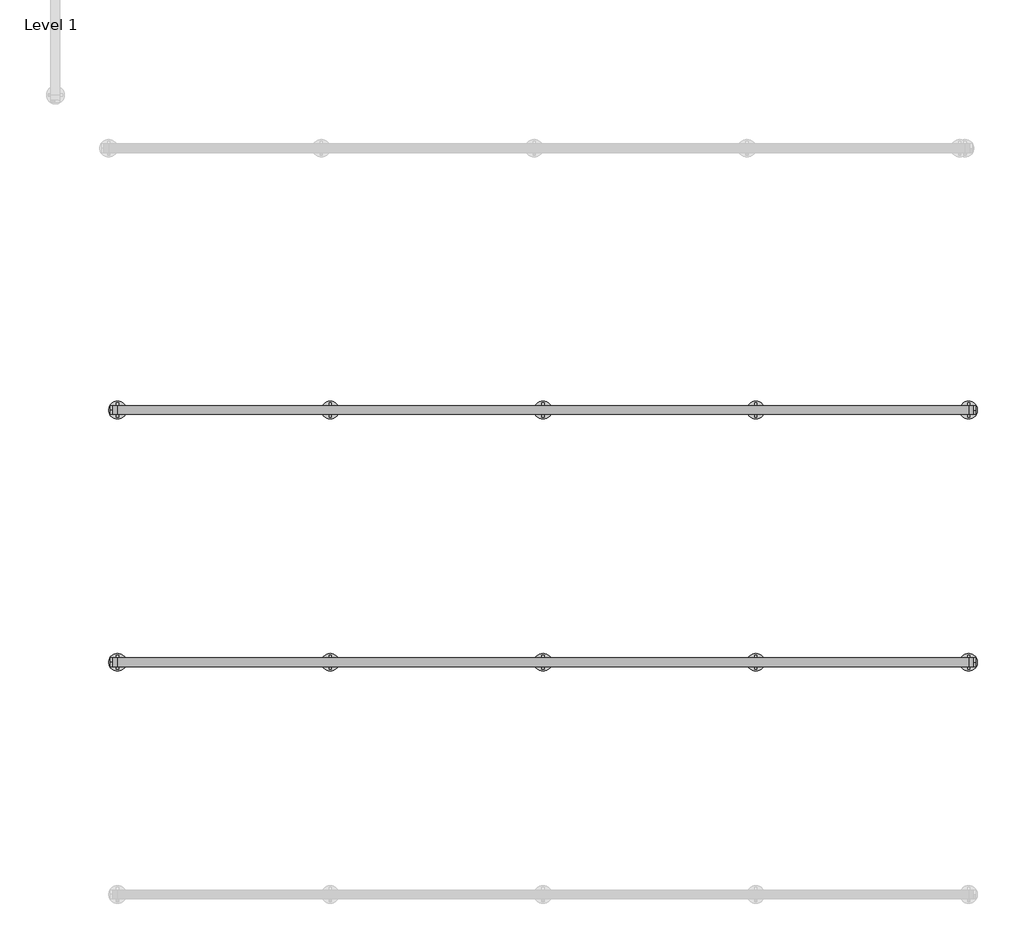
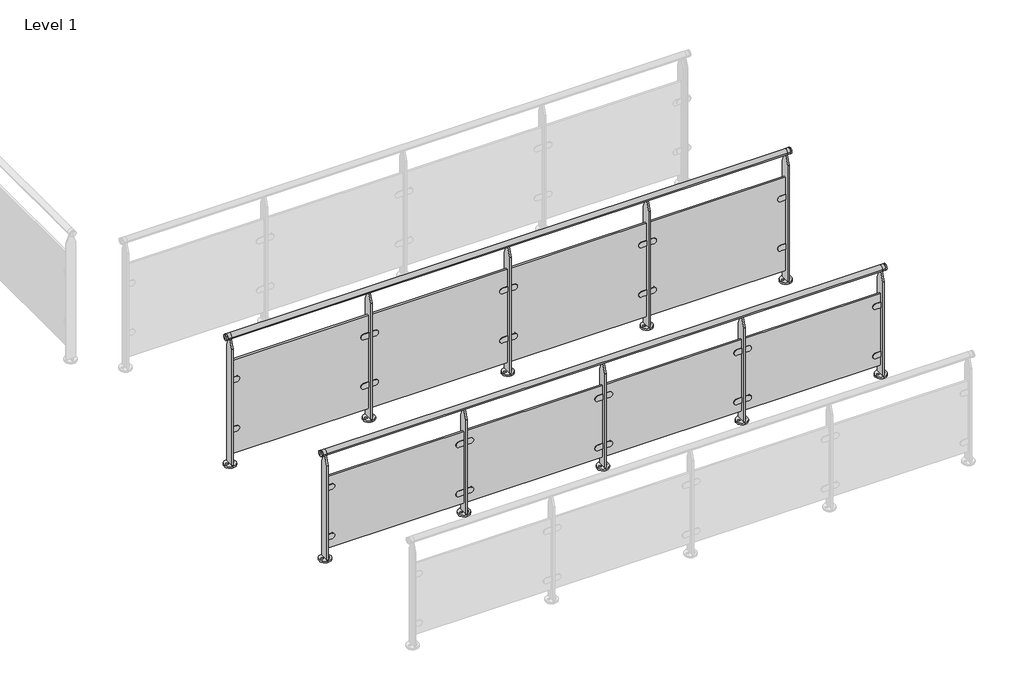
# One storey, part 4 of 16: 2 railings.
"""IFC4 building model written with IfcOpenShell, lengths in millimetres."""

from ifc_helpers import new_model, si_unit, point, frame, frame_2d, origin, origin_with_axes, place, context, project, spatial, polyline, circle_curve, trimmed, segment, composite_curve, outline, extrude, element, save
from ifc_brep_helpers import plane_surface, cylinder_surface, advanced_brep

model = new_model("IFC4")

# Units and contexts
model_context = context("Model", 3, world=origin())
ifc_project = project(units=[si_unit("LENGTHUNIT", "METRE", prefix="MILLI")], contexts=[model_context])

# Site, building, storey
site = spatial("IfcSite", under=ifc_project)
building = spatial("IfcBuilding", under=site)
storey = spatial("IfcBuildingStorey", under=building, Name="Level 1", Elevation=0.0)

# Railings
placement = place(None, origin())
element("IfcRailing", 1, at=placement, inside=storey, context=model_context, shape_type="SolidModel", body=[
    advanced_brep(
    [(24690.6479588, -3259.046846, 1175.0), (24690.6479588, -3259.046846, 1200.0), (24690.6479588, -3259.046846, 1150.0), (24700.6479588, -3259.046846, 1150.0), (24700.6479588, -3259.046846, 1200.0), (24700.6479588, -3259.046846, 1175.0)],
    [
        (0, 1),
        (1, 2, circle_curve(frame((24690.6479588, -3259.046846, 1175.0), z_axis=(-1.0, 0.0, 0.0), x_axis=(0.0, 0.0, 1.0)), 25.0)),
        (2, 0),
        (2, 1, circle_curve(frame((24690.6479588, -3259.046846, 1175.0), z_axis=(-1.0, 0.0, 0.0), x_axis=(0.0, 0.0, 1.0)), 25.0)),
        (3, 4, circle_curve(frame((24700.6479588, -3259.046846, 1175.0), z_axis=(1.0, 0.0, 0.0), x_axis=(0.0, 0.0, 1.0)), 25.0)),
        (4, 5),
        (5, 3),
        (4, 3, circle_curve(frame((24700.6479588, -3259.046846, 1175.0), z_axis=(1.0, 0.0, 0.0), x_axis=(0.0, 0.0, 1.0)), 25.0)),
        (1, 4),
        (3, 2),
    ],
    [
        plane_surface(frame((24690.6479588, -3259.046846, 1175.0), z_axis=(-1.0, 0.0, 0.0), x_axis=(0.0, 0.0, 1.0))),
        plane_surface(frame((24700.6479588, -3259.046846, 1175.0), z_axis=(1.0, 0.0, 0.0), x_axis=(0.0, 0.0, 1.0))),
        cylinder_surface(frame((24675.6479588, -3259.046846, 1175.0), z_axis=(-1.0, 0.0, 0.0), x_axis=(0.0, 0.0, 1.0)), 25.0),
    ],
    [
        (0, [[1, 2, 3]]),
        (0, [[-3, 4, -1]]),
        (1, [[5, 6, 7]]),
        (1, [[8, -7, -6]]),
        (2, [[-2, 9, -5, 10]]),
        (2, [[-4, -10, -8, -9]]),
    ],
),
    advanced_brep(
    [(19830.6479588, -3259.046846, 1175.0), (19830.6479588, -3259.046846, 1200.0), (19830.6479588, -3259.046846, 1150.0), (19820.6479588, -3259.046846, 1150.0), (19820.6479588, -3259.046846, 1200.0), (19820.6479588, -3259.046846, 1175.0)],
    [
        (0, 1),
        (1, 2, circle_curve(frame((19830.6479588, -3259.046846, 1175.0), z_axis=(1.0, 0.0, 0.0), x_axis=(0.0, 0.0, 1.0)), 25.0)),
        (2, 0),
        (2, 1, circle_curve(frame((19830.6479588, -3259.046846, 1175.0), z_axis=(1.0, 0.0, 0.0), x_axis=(0.0, 0.0, 1.0)), 25.0)),
        (3, 4, circle_curve(frame((19820.6479588, -3259.046846, 1175.0), z_axis=(-1.0, 0.0, 0.0), x_axis=(0.0, 0.0, 1.0)), 25.0)),
        (4, 5),
        (5, 3),
        (4, 3, circle_curve(frame((19820.6479588, -3259.046846, 1175.0), z_axis=(-1.0, 0.0, 0.0), x_axis=(0.0, 0.0, 1.0)), 25.0)),
        (1, 4),
        (3, 2),
    ],
    [
        plane_surface(frame((19830.6479588, -3259.046846, 1175.0), z_axis=(1.0, 0.0, 0.0), x_axis=(0.0, 0.0, 1.0))),
        plane_surface(frame((19820.6479588, -3259.046846, 1175.0), z_axis=(-1.0, 0.0, 0.0), x_axis=(0.0, 0.0, 1.0))),
        cylinder_surface(frame((19845.6479588, -3259.046846, 1175.0), z_axis=(1.0, 0.0, 0.0), x_axis=(0.0, 0.0, 1.0)), 25.0),
    ],
    [
        (0, [[1, 2, 3]]),
        (0, [[-3, 4, -1]]),
        (1, [[5, 6, 7]]),
        (1, [[8, -7, -6]]),
        (2, [[-2, 9, -5, 10]]),
        (2, [[-4, -10, -8, -9]]),
    ],
),
    advanced_brep(
    [(19830.6479588, -3284.046846, 1175.0), (19830.6479588, -3234.046846, 1175.0), (19860.6479588, -3284.046846, 1175.0), (19860.6479588, -3234.046846, 1175.0), (24660.6479588, -3284.046846, 1175.0), (24660.6479588, -3234.046846, 1175.0), (24690.6479588, -3284.046846, 1175.0), (24690.6479588, -3234.046846, 1175.0)],
    [
        (0, 1, circle_curve(frame((19830.6479588, -3259.046846, 1175.0), z_axis=(-1.0, 0.0, 0.0), x_axis=(0.0, 1.0, 0.0)), 25.0)),
        (1, 0, circle_curve(frame((19830.6479588, -3259.046846, 1175.0), z_axis=(-1.0, 0.0, 0.0), x_axis=(0.0, 1.0, 0.0)), 25.0)),
        (0, 2),
        (2, 3, circle_curve(frame((19860.6479588, -3259.046846, 1175.0), z_axis=(-1.0, 0.0, 0.0), x_axis=(0.0, 1.0, 0.0)), 25.0)),
        (3, 1),
        (3, 2, circle_curve(frame((19860.6479588, -3259.046846, 1175.0), z_axis=(-1.0, 0.0, 0.0), x_axis=(0.0, 1.0, 0.0)), 25.0)),
        (2, 4),
        (4, 5, circle_curve(frame((24660.6479588, -3259.046846, 1175.0), z_axis=(-1.0, 0.0, 0.0), x_axis=(0.0, 1.0, 0.0)), 25.0)),
        (5, 3),
        (5, 4, circle_curve(frame((24660.6479588, -3259.046846, 1175.0), z_axis=(-1.0, 0.0, 0.0), x_axis=(0.0, 1.0, 0.0)), 25.0)),
        (6, 7, circle_curve(frame((24690.6479588, -3259.046846, 1175.0), z_axis=(1.0, 0.0, 0.0), x_axis=(0.0, 1.0, 0.0)), 25.0)),
        (7, 6, circle_curve(frame((24690.6479588, -3259.046846, 1175.0), z_axis=(1.0, 0.0, 0.0), x_axis=(0.0, 1.0, 0.0)), 25.0)),
        (4, 6),
        (7, 5),
    ],
    [
        plane_surface(frame((19830.6479588, -3259.046846, 1200.0), z_axis=(-1.0, 0.0, 0.0), x_axis=(0.0, 1.0, 0.0))),
        cylinder_surface(frame((19830.6479588, -3259.046846, 1175.0), z_axis=(-1.0, 0.0, 0.0), x_axis=(0.0, 1.0, 0.0)), 25.0),
        cylinder_surface(frame((19860.6479588, -3259.046846, 1175.0), z_axis=(-1.0, 0.0, 0.0), x_axis=(0.0, 1.0, 0.0)), 25.0),
        plane_surface(frame((24690.6479588, -3259.046846, 1200.0), z_axis=(1.0, 0.0, 0.0), x_axis=(0.0, 1.0, 0.0))),
        cylinder_surface(frame((24660.6479588, -3259.046846, 1175.0), z_axis=(-1.0, 0.0, 0.0), x_axis=(0.0, 1.0, 0.0)), 25.0),
    ],
    [
        (0, [[1, 2]]),
        (1, [[-1, 3, 4, 5]]),
        (1, [[-2, -5, 6, -3]]),
        (2, [[-4, 7, 8, 9]]),
        (2, [[-6, -9, 10, -7]]),
        (3, [[11, 12]]),
        (4, [[-8, 13, -12, 14]]),
        (4, [[-10, -14, -11, -13]]),
    ],
),
    extrude(outline(polyline([(19860.6479588, -3267.046846), (19860.6479588, -3251.046846), (24660.6479588, -3251.046846), (24660.6479588, -3267.046846), (19860.6479588, -3267.046846)])), frame((0.0, 0.0, 100.0), z_axis=(0.0, 0.0, 1.0), x_axis=(1.0, 0.0, 0.0)), (0.0, 0.0, 1.0), 850.0),
    extrude(outline(composite_curve([segment(trimmed(circle_curve(frame_2d((320.0, 23511.6479588)), 25.0), [point((295.0, 23511.6479588))], [point((345.0, 23511.6479588))], False, "CARTESIAN"), True, "CONTINUOUS"), segment(polyline([(345.0, 23511.6479588), (345.0, 23466.6479588), (295.0, 23466.6479588), (295.0, 23511.6479588)]), True, "CONTINUOUS")], self_intersect=False)), frame((0.0, -3271.7869571, 0.0), z_axis=(0.0, 1.0, 0.0), x_axis=(0.0, 0.0, 1.0)), (0.0, 0.0, 1.0), 25.4802223),
    extrude(outline(composite_curve([segment(trimmed(circle_curve(frame_2d((770.0, 23511.6479588)), 25.0), [point((745.0, 23511.6479588))], [point((795.0, 23511.6479588))], False, "CARTESIAN"), True, "CONTINUOUS"), segment(polyline([(795.0, 23511.6479588), (795.0, 23466.6479588), (745.0, 23466.6479588), (745.0, 23511.6479588)]), True, "CONTINUOUS")], self_intersect=False)), frame((0.0, -3271.7869571, 0.0), z_axis=(0.0, 1.0, 0.0), x_axis=(0.0, 0.0, 1.0)), (0.0, 0.0, 1.0), 25.4802223),
    extrude(outline(composite_curve([segment(polyline([(295.0, 23409.6479588), (295.0, 23454.6479588), (345.0, 23454.6479588), (345.0, 23409.6479588)]), True, "CONTINUOUS"), segment(trimmed(circle_curve(frame_2d((320.0, 23409.6479588)), 25.0), [point((345.0, 23409.6479588))], [point((295.0, 23409.6479588))], False, "CARTESIAN"), True, "CONTINUOUS")], self_intersect=False)), frame((0.0, -3271.7869571, 0.0), z_axis=(0.0, 1.0, 0.0), x_axis=(0.0, 0.0, 1.0)), (0.0, 0.0, 1.0), 25.4802223),
    extrude(outline(composite_curve([segment(polyline([(745.0, 23409.6479588), (745.0, 23454.6479588), (795.0, 23454.6479588), (795.0, 23409.6479588)]), True, "CONTINUOUS"), segment(trimmed(circle_curve(frame_2d((770.0, 23409.6479588)), 25.0), [point((795.0, 23409.6479588))], [point((745.0, 23409.6479588))], False, "CARTESIAN"), True, "CONTINUOUS")], self_intersect=False)), frame((0.0, -3271.7869571, 0.0), z_axis=(0.0, 1.0, 0.0), x_axis=(0.0, 0.0, 1.0)), (0.0, 0.0, 1.0), 25.4802223),
    extrude(outline(composite_curve([segment(trimmed(circle_curve(frame_2d((23460.6479588, -3259.046846)), 50.0), [point((23460.6479588, -3309.046846))], [point((23460.6479588, -3209.046846))], False, "CARTESIAN"), True, "CONTINUOUS"), segment(trimmed(circle_curve(frame_2d((23460.6479588, -3259.046846)), 50.0), [point((23460.6479588, -3209.046846))], [point((23460.6479588, -3309.046846))], False, "CARTESIAN"), True, "CONTINUOUS")], self_intersect=False), holes=[composite_curve([segment(trimmed(circle_curve(frame_2d((23435.6576262, -3259.0371785)), 8.9986565), [point((23444.6562827, -3259.0371785))], [point((23426.6589698, -3259.0371785))], True, "CARTESIAN"), True, "CONTINUOUS"), segment(trimmed(circle_curve(frame_2d((23435.6576262, -3259.0371785)), 8.9986565), [point((23426.6589698, -3259.0371785))], [point((23444.6562827, -3259.0371785))], True, "CARTESIAN"), True, "CONTINUOUS")], self_intersect=False), composite_curve([segment(trimmed(circle_curve(frame_2d((23485.6576262, -3259.0371785)), 8.9793215), [point((23494.6369477, -3259.0371785))], [point((23476.6783047, -3259.0371785))], True, "CARTESIAN"), True, "CONTINUOUS"), segment(trimmed(circle_curve(frame_2d((23485.6576262, -3259.0371785)), 8.9793215), [point((23476.6783047, -3259.0371785))], [point((23494.6369477, -3259.0371785))], True, "CARTESIAN"), True, "CONTINUOUS")], self_intersect=False)]), origin_with_axes(), (0.0, 0.0, 1.0), 15.0),
    extrude(outline(polyline([(-3219.046846, 15.0), (-3299.046846, 15.0), (-3299.046846, 1075.0), (-3269.046846, 1150.0), (-3249.046846, 1150.0), (-3219.046846, 1075.0), (-3219.046846, 15.0)])), frame((23454.6479588, 0.0, 0.0), z_axis=(1.0, 0.0, 0.0), x_axis=(0.0, 1.0, 0.0)), (0.0, 0.0, 1.0), 12.0),
    extrude(outline(composite_curve([segment(trimmed(circle_curve(frame_2d((320.0, 22311.6479588)), 25.0), [point((295.0, 22311.6479588))], [point((345.0, 22311.6479588))], False, "CARTESIAN"), True, "CONTINUOUS"), segment(polyline([(345.0, 22311.6479588), (345.0, 22266.6479588), (295.0, 22266.6479588), (295.0, 22311.6479588)]), True, "CONTINUOUS")], self_intersect=False)), frame((0.0, -3271.7869571, 0.0), z_axis=(0.0, 1.0, 0.0), x_axis=(0.0, 0.0, 1.0)), (0.0, 0.0, 1.0), 25.4802223),
    extrude(outline(composite_curve([segment(trimmed(circle_curve(frame_2d((770.0, 22311.6479588)), 25.0), [point((745.0, 22311.6479588))], [point((795.0, 22311.6479588))], False, "CARTESIAN"), True, "CONTINUOUS"), segment(polyline([(795.0, 22311.6479588), (795.0, 22266.6479588), (745.0, 22266.6479588), (745.0, 22311.6479588)]), True, "CONTINUOUS")], self_intersect=False)), frame((0.0, -3271.7869571, 0.0), z_axis=(0.0, 1.0, 0.0), x_axis=(0.0, 0.0, 1.0)), (0.0, 0.0, 1.0), 25.4802223),
    extrude(outline(composite_curve([segment(polyline([(295.0, 22209.6479588), (295.0, 22254.6479588), (345.0, 22254.6479588), (345.0, 22209.6479588)]), True, "CONTINUOUS"), segment(trimmed(circle_curve(frame_2d((320.0, 22209.6479588)), 25.0), [point((345.0, 22209.6479588))], [point((295.0, 22209.6479588))], False, "CARTESIAN"), True, "CONTINUOUS")], self_intersect=False)), frame((0.0, -3271.7869571, 0.0), z_axis=(0.0, 1.0, 0.0), x_axis=(0.0, 0.0, 1.0)), (0.0, 0.0, 1.0), 25.4802223),
    extrude(outline(composite_curve([segment(polyline([(745.0, 22209.6479588), (745.0, 22254.6479588), (795.0, 22254.6479588), (795.0, 22209.6479588)]), True, "CONTINUOUS"), segment(trimmed(circle_curve(frame_2d((770.0, 22209.6479588)), 25.0), [point((795.0, 22209.6479588))], [point((745.0, 22209.6479588))], False, "CARTESIAN"), True, "CONTINUOUS")], self_intersect=False)), frame((0.0, -3271.7869571, 0.0), z_axis=(0.0, 1.0, 0.0), x_axis=(0.0, 0.0, 1.0)), (0.0, 0.0, 1.0), 25.4802223),
    extrude(outline(composite_curve([segment(trimmed(circle_curve(frame_2d((22260.6479588, -3259.046846)), 50.0), [point((22260.6479588, -3309.046846))], [point((22260.6479588, -3209.046846))], False, "CARTESIAN"), True, "CONTINUOUS"), segment(trimmed(circle_curve(frame_2d((22260.6479588, -3259.046846)), 50.0), [point((22260.6479588, -3209.046846))], [point((22260.6479588, -3309.046846))], False, "CARTESIAN"), True, "CONTINUOUS")], self_intersect=False), holes=[composite_curve([segment(trimmed(circle_curve(frame_2d((22235.6576262, -3259.0371785)), 8.9986565), [point((22244.6562827, -3259.0371785))], [point((22226.6589698, -3259.0371785))], True, "CARTESIAN"), True, "CONTINUOUS"), segment(trimmed(circle_curve(frame_2d((22235.6576262, -3259.0371785)), 8.9986565), [point((22226.6589698, -3259.0371785))], [point((22244.6562827, -3259.0371785))], True, "CARTESIAN"), True, "CONTINUOUS")], self_intersect=False), composite_curve([segment(trimmed(circle_curve(frame_2d((22285.6576262, -3259.0371785)), 8.9793215), [point((22294.6369477, -3259.0371785))], [point((22276.6783047, -3259.0371785))], True, "CARTESIAN"), True, "CONTINUOUS"), segment(trimmed(circle_curve(frame_2d((22285.6576262, -3259.0371785)), 8.9793215), [point((22276.6783047, -3259.0371785))], [point((22294.6369477, -3259.0371785))], True, "CARTESIAN"), True, "CONTINUOUS")], self_intersect=False)]), origin_with_axes(), (0.0, 0.0, 1.0), 15.0),
    extrude(outline(polyline([(-3219.046846, 15.0), (-3299.046846, 15.0), (-3299.046846, 1075.0), (-3269.046846, 1150.0), (-3249.046846, 1150.0), (-3219.046846, 1075.0), (-3219.046846, 15.0)])), frame((22254.6479588, 0.0, 0.0), z_axis=(1.0, 0.0, 0.0), x_axis=(0.0, 1.0, 0.0)), (0.0, 0.0, 1.0), 12.0),
    extrude(outline(composite_curve([segment(trimmed(circle_curve(frame_2d((320.0, 21111.6479588)), 25.0), [point((295.0, 21111.6479588))], [point((345.0, 21111.6479588))], False, "CARTESIAN"), True, "CONTINUOUS"), segment(polyline([(345.0, 21111.6479588), (345.0, 21066.6479588), (295.0, 21066.6479588), (295.0, 21111.6479588)]), True, "CONTINUOUS")], self_intersect=False)), frame((0.0, -3271.7869571, 0.0), z_axis=(0.0, 1.0, 0.0), x_axis=(0.0, 0.0, 1.0)), (0.0, 0.0, 1.0), 25.4802223),
    extrude(outline(composite_curve([segment(trimmed(circle_curve(frame_2d((770.0, 21111.6479588)), 25.0), [point((745.0, 21111.6479588))], [point((795.0, 21111.6479588))], False, "CARTESIAN"), True, "CONTINUOUS"), segment(polyline([(795.0, 21111.6479588), (795.0, 21066.6479588), (745.0, 21066.6479588), (745.0, 21111.6479588)]), True, "CONTINUOUS")], self_intersect=False)), frame((0.0, -3271.7869571, 0.0), z_axis=(0.0, 1.0, 0.0), x_axis=(0.0, 0.0, 1.0)), (0.0, 0.0, 1.0), 25.4802223),
    extrude(outline(composite_curve([segment(polyline([(295.0, 21009.6479588), (295.0, 21054.6479588), (345.0, 21054.6479588), (345.0, 21009.6479588)]), True, "CONTINUOUS"), segment(trimmed(circle_curve(frame_2d((320.0, 21009.6479588)), 25.0), [point((345.0, 21009.6479588))], [point((295.0, 21009.6479588))], False, "CARTESIAN"), True, "CONTINUOUS")], self_intersect=False)), frame((0.0, -3271.7869571, 0.0), z_axis=(0.0, 1.0, 0.0), x_axis=(0.0, 0.0, 1.0)), (0.0, 0.0, 1.0), 25.4802223),
    extrude(outline(composite_curve([segment(polyline([(745.0, 21009.6479588), (745.0, 21054.6479588), (795.0, 21054.6479588), (795.0, 21009.6479588)]), True, "CONTINUOUS"), segment(trimmed(circle_curve(frame_2d((770.0, 21009.6479588)), 25.0), [point((795.0, 21009.6479588))], [point((745.0, 21009.6479588))], False, "CARTESIAN"), True, "CONTINUOUS")], self_intersect=False)), frame((0.0, -3271.7869571, 0.0), z_axis=(0.0, 1.0, 0.0), x_axis=(0.0, 0.0, 1.0)), (0.0, 0.0, 1.0), 25.4802223),
    extrude(outline(composite_curve([segment(trimmed(circle_curve(frame_2d((21060.6479588, -3259.046846)), 50.0), [point((21060.6479588, -3309.046846))], [point((21060.6479588, -3209.046846))], False, "CARTESIAN"), True, "CONTINUOUS"), segment(trimmed(circle_curve(frame_2d((21060.6479588, -3259.046846)), 50.0), [point((21060.6479588, -3209.046846))], [point((21060.6479588, -3309.046846))], False, "CARTESIAN"), True, "CONTINUOUS")], self_intersect=False), holes=[composite_curve([segment(trimmed(circle_curve(frame_2d((21035.6576262, -3259.0371785)), 8.9986565), [point((21044.6562827, -3259.0371785))], [point((21026.6589698, -3259.0371785))], True, "CARTESIAN"), True, "CONTINUOUS"), segment(trimmed(circle_curve(frame_2d((21035.6576262, -3259.0371785)), 8.9986565), [point((21026.6589698, -3259.0371785))], [point((21044.6562827, -3259.0371785))], True, "CARTESIAN"), True, "CONTINUOUS")], self_intersect=False), composite_curve([segment(trimmed(circle_curve(frame_2d((21085.6576262, -3259.0371785)), 8.9793215), [point((21094.6369477, -3259.0371785))], [point((21076.6783047, -3259.0371785))], True, "CARTESIAN"), True, "CONTINUOUS"), segment(trimmed(circle_curve(frame_2d((21085.6576262, -3259.0371785)), 8.9793215), [point((21076.6783047, -3259.0371785))], [point((21094.6369477, -3259.0371785))], True, "CARTESIAN"), True, "CONTINUOUS")], self_intersect=False)]), origin_with_axes(), (0.0, 0.0, 1.0), 15.0),
    extrude(outline(polyline([(-3219.046846, 15.0), (-3299.046846, 15.0), (-3299.046846, 1075.0), (-3269.046846, 1150.0), (-3249.046846, 1150.0), (-3219.046846, 1075.0), (-3219.046846, 15.0)])), frame((21054.6479588, 0.0, 0.0), z_axis=(1.0, 0.0, 0.0), x_axis=(0.0, 1.0, 0.0)), (0.0, 0.0, 1.0), 12.0),
    extrude(outline(composite_curve([segment(polyline([(295.0, 24609.6479588), (295.0, 24654.6479588), (345.0, 24654.6479588), (345.0, 24609.6479588)]), True, "CONTINUOUS"), segment(trimmed(circle_curve(frame_2d((320.0, 24609.6479588)), 25.0), [point((345.0, 24609.6479588))], [point((295.0, 24609.6479588))], False, "CARTESIAN"), True, "CONTINUOUS")], self_intersect=False)), frame((0.0, -3271.7869571, 0.0), z_axis=(0.0, 1.0, 0.0), x_axis=(0.0, 0.0, 1.0)), (0.0, 0.0, 1.0), 25.4802223),
    extrude(outline(composite_curve([segment(polyline([(745.0, 24609.6479588), (745.0, 24654.6479588), (795.0, 24654.6479588), (795.0, 24609.6479588)]), True, "CONTINUOUS"), segment(trimmed(circle_curve(frame_2d((770.0, 24609.6479588)), 25.0), [point((795.0, 24609.6479588))], [point((745.0, 24609.6479588))], False, "CARTESIAN"), True, "CONTINUOUS")], self_intersect=False)), frame((0.0, -3271.7869571, 0.0), z_axis=(0.0, 1.0, 0.0), x_axis=(0.0, 0.0, 1.0)), (0.0, 0.0, 1.0), 25.4802223),
    extrude(outline(composite_curve([segment(trimmed(circle_curve(frame_2d((24660.6479588, -3259.046846)), 50.0), [point((24660.6479588, -3309.046846))], [point((24660.6479588, -3209.046846))], False, "CARTESIAN"), True, "CONTINUOUS"), segment(trimmed(circle_curve(frame_2d((24660.6479588, -3259.046846)), 50.0), [point((24660.6479588, -3209.046846))], [point((24660.6479588, -3309.046846))], False, "CARTESIAN"), True, "CONTINUOUS")], self_intersect=False), holes=[composite_curve([segment(trimmed(circle_curve(frame_2d((24635.6576262, -3259.0371785)), 8.9986565), [point((24644.6562827, -3259.0371785))], [point((24626.6589698, -3259.0371785))], True, "CARTESIAN"), True, "CONTINUOUS"), segment(trimmed(circle_curve(frame_2d((24635.6576262, -3259.0371785)), 8.9986565), [point((24626.6589698, -3259.0371785))], [point((24644.6562827, -3259.0371785))], True, "CARTESIAN"), True, "CONTINUOUS")], self_intersect=False), composite_curve([segment(trimmed(circle_curve(frame_2d((24685.6576262, -3259.0371785)), 8.9793215), [point((24694.6369477, -3259.0371785))], [point((24676.6783047, -3259.0371785))], True, "CARTESIAN"), True, "CONTINUOUS"), segment(trimmed(circle_curve(frame_2d((24685.6576262, -3259.0371785)), 8.9793215), [point((24676.6783047, -3259.0371785))], [point((24694.6369477, -3259.0371785))], True, "CARTESIAN"), True, "CONTINUOUS")], self_intersect=False)]), origin_with_axes(), (0.0, 0.0, 1.0), 15.0),
    extrude(outline(polyline([(-3219.046846, 15.0), (-3299.046846, 15.0), (-3299.046846, 1075.0), (-3269.046846, 1150.0), (-3249.046846, 1150.0), (-3219.046846, 1075.0), (-3219.046846, 15.0)])), frame((24654.6479588, 0.0, 0.0), z_axis=(1.0, 0.0, 0.0), x_axis=(0.0, 1.0, 0.0)), (0.0, 0.0, 1.0), 12.0),
    extrude(outline(composite_curve([segment(trimmed(circle_curve(frame_2d((320.0, 19911.6479588)), 25.0), [point((295.0, 19911.6479588))], [point((345.0, 19911.6479588))], False, "CARTESIAN"), True, "CONTINUOUS"), segment(polyline([(345.0, 19911.6479588), (345.0, 19866.6479588), (295.0, 19866.6479588), (295.0, 19911.6479588)]), True, "CONTINUOUS")], self_intersect=False)), frame((0.0, -3271.7869571, 0.0), z_axis=(0.0, 1.0, 0.0), x_axis=(0.0, 0.0, 1.0)), (0.0, 0.0, 1.0), 25.4802223),
    extrude(outline(composite_curve([segment(trimmed(circle_curve(frame_2d((770.0, 19911.6479588)), 25.0), [point((745.0, 19911.6479588))], [point((795.0, 19911.6479588))], False, "CARTESIAN"), True, "CONTINUOUS"), segment(polyline([(795.0, 19911.6479588), (795.0, 19866.6479588), (745.0, 19866.6479588), (745.0, 19911.6479588)]), True, "CONTINUOUS")], self_intersect=False)), frame((0.0, -3271.7869571, 0.0), z_axis=(0.0, 1.0, 0.0), x_axis=(0.0, 0.0, 1.0)), (0.0, 0.0, 1.0), 25.4802223),
    extrude(outline(composite_curve([segment(trimmed(circle_curve(frame_2d((19860.6479588, -3259.046846)), 50.0), [point((19860.6479588, -3309.046846))], [point((19860.6479588, -3209.046846))], False, "CARTESIAN"), True, "CONTINUOUS"), segment(trimmed(circle_curve(frame_2d((19860.6479588, -3259.046846)), 50.0), [point((19860.6479588, -3209.046846))], [point((19860.6479588, -3309.046846))], False, "CARTESIAN"), True, "CONTINUOUS")], self_intersect=False), holes=[composite_curve([segment(trimmed(circle_curve(frame_2d((19835.6576262, -3259.0371785)), 8.9986565), [point((19844.6562827, -3259.0371785))], [point((19826.6589698, -3259.0371785))], True, "CARTESIAN"), True, "CONTINUOUS"), segment(trimmed(circle_curve(frame_2d((19835.6576262, -3259.0371785)), 8.9986565), [point((19826.6589698, -3259.0371785))], [point((19844.6562827, -3259.0371785))], True, "CARTESIAN"), True, "CONTINUOUS")], self_intersect=False), composite_curve([segment(trimmed(circle_curve(frame_2d((19885.6576262, -3259.0371785)), 8.9793215), [point((19894.6369477, -3259.0371785))], [point((19876.6783047, -3259.0371785))], True, "CARTESIAN"), True, "CONTINUOUS"), segment(trimmed(circle_curve(frame_2d((19885.6576262, -3259.0371785)), 8.9793215), [point((19876.6783047, -3259.0371785))], [point((19894.6369477, -3259.0371785))], True, "CARTESIAN"), True, "CONTINUOUS")], self_intersect=False)]), origin_with_axes(), (0.0, 0.0, 1.0), 15.0),
    extrude(outline(polyline([(-3219.046846, 15.0), (-3299.046846, 15.0), (-3299.046846, 1075.0), (-3269.046846, 1150.0), (-3249.046846, 1150.0), (-3219.046846, 1075.0), (-3219.046846, 15.0)])), frame((19854.6479588, 0.0, 0.0), z_axis=(1.0, 0.0, 0.0), x_axis=(0.0, 1.0, 0.0)), (0.0, 0.0, 1.0), 12.0),
])
element("IfcRailing", 2, at=placement, inside=storey, context=model_context, shape_type="SolidModel", body=[
    advanced_brep(
    [(24690.6479588, -4681.5428504, 975.0), (24690.6479588, -4681.5428504, 1000.0), (24690.6479588, -4681.5428504, 950.0), (24700.6479588, -4681.5428504, 950.0), (24700.6479588, -4681.5428504, 1000.0), (24700.6479588, -4681.5428504, 975.0)],
    [
        (0, 1),
        (1, 2, circle_curve(frame((24690.6479588, -4681.5428504, 975.0), z_axis=(-1.0, 0.0, 0.0), x_axis=(0.0, 0.0, 1.0)), 25.0)),
        (2, 0),
        (2, 1, circle_curve(frame((24690.6479588, -4681.5428504, 975.0), z_axis=(-1.0, 0.0, 0.0), x_axis=(0.0, 0.0, 1.0)), 25.0)),
        (3, 4, circle_curve(frame((24700.6479588, -4681.5428504, 975.0), z_axis=(1.0, 0.0, 0.0), x_axis=(0.0, 0.0, 1.0)), 25.0)),
        (4, 5),
        (5, 3),
        (4, 3, circle_curve(frame((24700.6479588, -4681.5428504, 975.0), z_axis=(1.0, 0.0, 0.0), x_axis=(0.0, 0.0, 1.0)), 25.0)),
        (1, 4),
        (3, 2),
    ],
    [
        plane_surface(frame((24690.6479588, -4681.5428504, 975.0), z_axis=(-1.0, 0.0, 0.0), x_axis=(0.0, 0.0, 1.0))),
        plane_surface(frame((24700.6479588, -4681.5428504, 975.0), z_axis=(1.0, 0.0, 0.0), x_axis=(0.0, 0.0, 1.0))),
        cylinder_surface(frame((24675.6479588, -4681.5428504, 975.0), z_axis=(-1.0, 0.0, 0.0), x_axis=(0.0, 0.0, 1.0)), 25.0),
    ],
    [
        (0, [[1, 2, 3]]),
        (0, [[-3, 4, -1]]),
        (1, [[5, 6, 7]]),
        (1, [[8, -7, -6]]),
        (2, [[-2, 9, -5, 10]]),
        (2, [[-4, -10, -8, -9]]),
    ],
),
    advanced_brep(
    [(19830.6479588, -4681.5428504, 975.0), (19830.6479588, -4681.5428504, 1000.0), (19830.6479588, -4681.5428504, 950.0), (19820.6479588, -4681.5428504, 950.0), (19820.6479588, -4681.5428504, 1000.0), (19820.6479588, -4681.5428504, 975.0)],
    [
        (0, 1),
        (1, 2, circle_curve(frame((19830.6479588, -4681.5428504, 975.0), z_axis=(1.0, 0.0, 0.0), x_axis=(0.0, 0.0, 1.0)), 25.0)),
        (2, 0),
        (2, 1, circle_curve(frame((19830.6479588, -4681.5428504, 975.0), z_axis=(1.0, 0.0, 0.0), x_axis=(0.0, 0.0, 1.0)), 25.0)),
        (3, 4, circle_curve(frame((19820.6479588, -4681.5428504, 975.0), z_axis=(-1.0, 0.0, 0.0), x_axis=(0.0, 0.0, 1.0)), 25.0)),
        (4, 5),
        (5, 3),
        (4, 3, circle_curve(frame((19820.6479588, -4681.5428504, 975.0), z_axis=(-1.0, 0.0, 0.0), x_axis=(0.0, 0.0, 1.0)), 25.0)),
        (1, 4),
        (3, 2),
    ],
    [
        plane_surface(frame((19830.6479588, -4681.5428504, 975.0), z_axis=(1.0, 0.0, 0.0), x_axis=(0.0, 0.0, 1.0))),
        plane_surface(frame((19820.6479588, -4681.5428504, 975.0), z_axis=(-1.0, 0.0, 0.0), x_axis=(0.0, 0.0, 1.0))),
        cylinder_surface(frame((19845.6479588, -4681.5428504, 975.0), z_axis=(1.0, 0.0, 0.0), x_axis=(0.0, 0.0, 1.0)), 25.0),
    ],
    [
        (0, [[1, 2, 3]]),
        (0, [[-3, 4, -1]]),
        (1, [[5, 6, 7]]),
        (1, [[8, -7, -6]]),
        (2, [[-2, 9, -5, 10]]),
        (2, [[-4, -10, -8, -9]]),
    ],
),
    advanced_brep(
    [(19830.6479588, -4706.5428504, 975.0), (19830.6479588, -4656.5428504, 975.0), (19860.6479588, -4706.5428504, 975.0), (19860.6479588, -4656.5428504, 975.0), (24660.6479588, -4706.5428504, 975.0), (24660.6479588, -4656.5428504, 975.0), (24690.6479588, -4706.5428504, 975.0), (24690.6479588, -4656.5428504, 975.0)],
    [
        (0, 1, circle_curve(frame((19830.6479588, -4681.5428504, 975.0), z_axis=(-1.0, 0.0, 0.0), x_axis=(0.0, 1.0, 0.0)), 25.0)),
        (1, 0, circle_curve(frame((19830.6479588, -4681.5428504, 975.0), z_axis=(-1.0, 0.0, 0.0), x_axis=(0.0, 1.0, 0.0)), 25.0)),
        (0, 2),
        (2, 3, circle_curve(frame((19860.6479588, -4681.5428504, 975.0), z_axis=(-1.0, 0.0, 0.0), x_axis=(0.0, 1.0, 0.0)), 25.0)),
        (3, 1),
        (3, 2, circle_curve(frame((19860.6479588, -4681.5428504, 975.0), z_axis=(-1.0, 0.0, 0.0), x_axis=(0.0, 1.0, 0.0)), 25.0)),
        (2, 4),
        (4, 5, circle_curve(frame((24660.6479588, -4681.5428504, 975.0), z_axis=(-1.0, 0.0, 0.0), x_axis=(0.0, 1.0, 0.0)), 25.0)),
        (5, 3),
        (5, 4, circle_curve(frame((24660.6479588, -4681.5428504, 975.0), z_axis=(-1.0, 0.0, 0.0), x_axis=(0.0, 1.0, 0.0)), 25.0)),
        (6, 7, circle_curve(frame((24690.6479588, -4681.5428504, 975.0), z_axis=(1.0, 0.0, 0.0), x_axis=(0.0, 1.0, 0.0)), 25.0)),
        (7, 6, circle_curve(frame((24690.6479588, -4681.5428504, 975.0), z_axis=(1.0, 0.0, 0.0), x_axis=(0.0, 1.0, 0.0)), 25.0)),
        (4, 6),
        (7, 5),
    ],
    [
        plane_surface(frame((19830.6479588, -4681.5428504, 1000.0), z_axis=(-1.0, 0.0, 0.0), x_axis=(0.0, 1.0, 0.0))),
        cylinder_surface(frame((19830.6479588, -4681.5428504, 975.0), z_axis=(-1.0, 0.0, 0.0), x_axis=(0.0, 1.0, 0.0)), 25.0),
        cylinder_surface(frame((19860.6479588, -4681.5428504, 975.0), z_axis=(-1.0, 0.0, 0.0), x_axis=(0.0, 1.0, 0.0)), 25.0),
        plane_surface(frame((24690.6479588, -4681.5428504, 1000.0), z_axis=(1.0, 0.0, 0.0), x_axis=(0.0, 1.0, 0.0))),
        cylinder_surface(frame((24660.6479588, -4681.5428504, 975.0), z_axis=(-1.0, 0.0, 0.0), x_axis=(0.0, 1.0, 0.0)), 25.0),
    ],
    [
        (0, [[1, 2]]),
        (1, [[-1, 3, 4, 5]]),
        (1, [[-2, -5, 6, -3]]),
        (2, [[-4, 7, 8, 9]]),
        (2, [[-6, -9, 10, -7]]),
        (3, [[11, 12]]),
        (4, [[-8, 13, -12, 14]]),
        (4, [[-10, -14, -11, -13]]),
    ],
),
    extrude(outline(polyline([(19860.6479588, -4689.5428504), (19860.6479588, -4673.5428504), (24660.6479588, -4673.5428504), (24660.6479588, -4689.5428504), (19860.6479588, -4689.5428504)])), frame((0.0, 0.0, 100.0), z_axis=(0.0, 0.0, 1.0), x_axis=(1.0, 0.0, 0.0)), (0.0, 0.0, 1.0), 650.0),
    extrude(outline(composite_curve([segment(trimmed(circle_curve(frame_2d((199.6, 23511.6479588)), 25.0), [point((174.6, 23511.6479588))], [point((224.6, 23511.6479588))], False, "CARTESIAN"), True, "CONTINUOUS"), segment(polyline([(224.6, 23511.6479588), (224.6, 23466.6479588), (174.6, 23466.6479588), (174.6, 23511.6479588)]), True, "CONTINUOUS")], self_intersect=False)), frame((0.0, -4694.2829616, 0.0), z_axis=(0.0, 1.0, 0.0), x_axis=(0.0, 0.0, 1.0)), (0.0, 0.0, 1.0), 25.4802223),
    extrude(outline(composite_curve([segment(trimmed(circle_curve(frame_2d((649.6, 23511.6479588)), 25.0), [point((624.6, 23511.6479588))], [point((674.6, 23511.6479588))], False, "CARTESIAN"), True, "CONTINUOUS"), segment(polyline([(674.6, 23511.6479588), (674.6, 23466.6479588), (624.6, 23466.6479588), (624.6, 23511.6479588)]), True, "CONTINUOUS")], self_intersect=False)), frame((0.0, -4694.2829616, 0.0), z_axis=(0.0, 1.0, 0.0), x_axis=(0.0, 0.0, 1.0)), (0.0, 0.0, 1.0), 25.4802223),
    extrude(outline(composite_curve([segment(polyline([(174.6, 23409.6479588), (174.6, 23454.6479588), (224.6, 23454.6479588), (224.6, 23409.6479588)]), True, "CONTINUOUS"), segment(trimmed(circle_curve(frame_2d((199.6, 23409.6479588)), 25.0), [point((224.6, 23409.6479588))], [point((174.6, 23409.6479588))], False, "CARTESIAN"), True, "CONTINUOUS")], self_intersect=False)), frame((0.0, -4694.2829616, 0.0), z_axis=(0.0, 1.0, 0.0), x_axis=(0.0, 0.0, 1.0)), (0.0, 0.0, 1.0), 25.4802223),
    extrude(outline(composite_curve([segment(polyline([(624.6, 23409.6479588), (624.6, 23454.6479588), (674.6, 23454.6479588), (674.6, 23409.6479588)]), True, "CONTINUOUS"), segment(trimmed(circle_curve(frame_2d((649.6, 23409.6479588)), 25.0), [point((674.6, 23409.6479588))], [point((624.6, 23409.6479588))], False, "CARTESIAN"), True, "CONTINUOUS")], self_intersect=False)), frame((0.0, -4694.2829616, 0.0), z_axis=(0.0, 1.0, 0.0), x_axis=(0.0, 0.0, 1.0)), (0.0, 0.0, 1.0), 25.4802223),
    extrude(outline(composite_curve([segment(trimmed(circle_curve(frame_2d((23460.6479588, -4681.5428504)), 50.0), [point((23460.6479588, -4731.5428504))], [point((23460.6479588, -4631.5428504))], False, "CARTESIAN"), True, "CONTINUOUS"), segment(trimmed(circle_curve(frame_2d((23460.6479588, -4681.5428504)), 50.0), [point((23460.6479588, -4631.5428504))], [point((23460.6479588, -4731.5428504))], False, "CARTESIAN"), True, "CONTINUOUS")], self_intersect=False), holes=[composite_curve([segment(trimmed(circle_curve(frame_2d((23435.6576262, -4681.5331829)), 8.9986565), [point((23444.6562827, -4681.5331829))], [point((23426.6589698, -4681.5331829))], True, "CARTESIAN"), True, "CONTINUOUS"), segment(trimmed(circle_curve(frame_2d((23435.6576262, -4681.5331829)), 8.9986565), [point((23426.6589698, -4681.5331829))], [point((23444.6562827, -4681.5331829))], True, "CARTESIAN"), True, "CONTINUOUS")], self_intersect=False), composite_curve([segment(trimmed(circle_curve(frame_2d((23485.6576262, -4681.5331829)), 8.9793215), [point((23494.6369477, -4681.5331829))], [point((23476.6783047, -4681.5331829))], True, "CARTESIAN"), True, "CONTINUOUS"), segment(trimmed(circle_curve(frame_2d((23485.6576262, -4681.5331829)), 8.9793215), [point((23476.6783047, -4681.5331829))], [point((23494.6369477, -4681.5331829))], True, "CARTESIAN"), True, "CONTINUOUS")], self_intersect=False)]), origin_with_axes(), (0.0, 0.0, 1.0), 15.0),
    extrude(outline(polyline([(-4641.5428504, 15.0), (-4721.5428504, 15.0), (-4721.5428504, 875.0), (-4691.5428504, 950.0), (-4671.5428504, 950.0), (-4641.5428504, 875.0), (-4641.5428504, 15.0)])), frame((23454.6479588, 0.0, 0.0), z_axis=(1.0, 0.0, 0.0), x_axis=(0.0, 1.0, 0.0)), (0.0, 0.0, 1.0), 12.0),
    extrude(outline(composite_curve([segment(trimmed(circle_curve(frame_2d((199.6, 22311.6479588)), 25.0), [point((174.6, 22311.6479588))], [point((224.6, 22311.6479588))], False, "CARTESIAN"), True, "CONTINUOUS"), segment(polyline([(224.6, 22311.6479588), (224.6, 22266.6479588), (174.6, 22266.6479588), (174.6, 22311.6479588)]), True, "CONTINUOUS")], self_intersect=False)), frame((0.0, -4694.2829616, 0.0), z_axis=(0.0, 1.0, 0.0), x_axis=(0.0, 0.0, 1.0)), (0.0, 0.0, 1.0), 25.4802223),
    extrude(outline(composite_curve([segment(trimmed(circle_curve(frame_2d((649.6, 22311.6479588)), 25.0), [point((624.6, 22311.6479588))], [point((674.6, 22311.6479588))], False, "CARTESIAN"), True, "CONTINUOUS"), segment(polyline([(674.6, 22311.6479588), (674.6, 22266.6479588), (624.6, 22266.6479588), (624.6, 22311.6479588)]), True, "CONTINUOUS")], self_intersect=False)), frame((0.0, -4694.2829616, 0.0), z_axis=(0.0, 1.0, 0.0), x_axis=(0.0, 0.0, 1.0)), (0.0, 0.0, 1.0), 25.4802223),
    extrude(outline(composite_curve([segment(polyline([(174.6, 22209.6479588), (174.6, 22254.6479588), (224.6, 22254.6479588), (224.6, 22209.6479588)]), True, "CONTINUOUS"), segment(trimmed(circle_curve(frame_2d((199.6, 22209.6479588)), 25.0), [point((224.6, 22209.6479588))], [point((174.6, 22209.6479588))], False, "CARTESIAN"), True, "CONTINUOUS")], self_intersect=False)), frame((0.0, -4694.2829616, 0.0), z_axis=(0.0, 1.0, 0.0), x_axis=(0.0, 0.0, 1.0)), (0.0, 0.0, 1.0), 25.4802223),
    extrude(outline(composite_curve([segment(polyline([(624.6, 22209.6479588), (624.6, 22254.6479588), (674.6, 22254.6479588), (674.6, 22209.6479588)]), True, "CONTINUOUS"), segment(trimmed(circle_curve(frame_2d((649.6, 22209.6479588)), 25.0), [point((674.6, 22209.6479588))], [point((624.6, 22209.6479588))], False, "CARTESIAN"), True, "CONTINUOUS")], self_intersect=False)), frame((0.0, -4694.2829616, 0.0), z_axis=(0.0, 1.0, 0.0), x_axis=(0.0, 0.0, 1.0)), (0.0, 0.0, 1.0), 25.4802223),
    extrude(outline(composite_curve([segment(trimmed(circle_curve(frame_2d((22260.6479588, -4681.5428504)), 50.0), [point((22260.6479588, -4731.5428504))], [point((22260.6479588, -4631.5428504))], False, "CARTESIAN"), True, "CONTINUOUS"), segment(trimmed(circle_curve(frame_2d((22260.6479588, -4681.5428504)), 50.0), [point((22260.6479588, -4631.5428504))], [point((22260.6479588, -4731.5428504))], False, "CARTESIAN"), True, "CONTINUOUS")], self_intersect=False), holes=[composite_curve([segment(trimmed(circle_curve(frame_2d((22235.6576262, -4681.5331829)), 8.9986565), [point((22244.6562827, -4681.5331829))], [point((22226.6589698, -4681.5331829))], True, "CARTESIAN"), True, "CONTINUOUS"), segment(trimmed(circle_curve(frame_2d((22235.6576262, -4681.5331829)), 8.9986565), [point((22226.6589698, -4681.5331829))], [point((22244.6562827, -4681.5331829))], True, "CARTESIAN"), True, "CONTINUOUS")], self_intersect=False), composite_curve([segment(trimmed(circle_curve(frame_2d((22285.6576262, -4681.5331829)), 8.9793215), [point((22294.6369477, -4681.5331829))], [point((22276.6783047, -4681.5331829))], True, "CARTESIAN"), True, "CONTINUOUS"), segment(trimmed(circle_curve(frame_2d((22285.6576262, -4681.5331829)), 8.9793215), [point((22276.6783047, -4681.5331829))], [point((22294.6369477, -4681.5331829))], True, "CARTESIAN"), True, "CONTINUOUS")], self_intersect=False)]), origin_with_axes(), (0.0, 0.0, 1.0), 15.0),
    extrude(outline(polyline([(-4641.5428504, 15.0), (-4721.5428504, 15.0), (-4721.5428504, 875.0), (-4691.5428504, 950.0), (-4671.5428504, 950.0), (-4641.5428504, 875.0), (-4641.5428504, 15.0)])), frame((22254.6479588, 0.0, 0.0), z_axis=(1.0, 0.0, 0.0), x_axis=(0.0, 1.0, 0.0)), (0.0, 0.0, 1.0), 12.0),
    extrude(outline(composite_curve([segment(trimmed(circle_curve(frame_2d((199.6, 21111.6479588)), 25.0), [point((174.6, 21111.6479588))], [point((224.6, 21111.6479588))], False, "CARTESIAN"), True, "CONTINUOUS"), segment(polyline([(224.6, 21111.6479588), (224.6, 21066.6479588), (174.6, 21066.6479588), (174.6, 21111.6479588)]), True, "CONTINUOUS")], self_intersect=False)), frame((0.0, -4694.2829616, 0.0), z_axis=(0.0, 1.0, 0.0), x_axis=(0.0, 0.0, 1.0)), (0.0, 0.0, 1.0), 25.4802223),
    extrude(outline(composite_curve([segment(trimmed(circle_curve(frame_2d((649.6, 21111.6479588)), 25.0), [point((624.6, 21111.6479588))], [point((674.6, 21111.6479588))], False, "CARTESIAN"), True, "CONTINUOUS"), segment(polyline([(674.6, 21111.6479588), (674.6, 21066.6479588), (624.6, 21066.6479588), (624.6, 21111.6479588)]), True, "CONTINUOUS")], self_intersect=False)), frame((0.0, -4694.2829616, 0.0), z_axis=(0.0, 1.0, 0.0), x_axis=(0.0, 0.0, 1.0)), (0.0, 0.0, 1.0), 25.4802223),
    extrude(outline(composite_curve([segment(polyline([(174.6, 21009.6479588), (174.6, 21054.6479588), (224.6, 21054.6479588), (224.6, 21009.6479588)]), True, "CONTINUOUS"), segment(trimmed(circle_curve(frame_2d((199.6, 21009.6479588)), 25.0), [point((224.6, 21009.6479588))], [point((174.6, 21009.6479588))], False, "CARTESIAN"), True, "CONTINUOUS")], self_intersect=False)), frame((0.0, -4694.2829616, 0.0), z_axis=(0.0, 1.0, 0.0), x_axis=(0.0, 0.0, 1.0)), (0.0, 0.0, 1.0), 25.4802223),
    extrude(outline(composite_curve([segment(polyline([(624.6, 21009.6479588), (624.6, 21054.6479588), (674.6, 21054.6479588), (674.6, 21009.6479588)]), True, "CONTINUOUS"), segment(trimmed(circle_curve(frame_2d((649.6, 21009.6479588)), 25.0), [point((674.6, 21009.6479588))], [point((624.6, 21009.6479588))], False, "CARTESIAN"), True, "CONTINUOUS")], self_intersect=False)), frame((0.0, -4694.2829616, 0.0), z_axis=(0.0, 1.0, 0.0), x_axis=(0.0, 0.0, 1.0)), (0.0, 0.0, 1.0), 25.4802223),
    extrude(outline(composite_curve([segment(trimmed(circle_curve(frame_2d((21060.6479588, -4681.5428504)), 50.0), [point((21060.6479588, -4731.5428504))], [point((21060.6479588, -4631.5428504))], False, "CARTESIAN"), True, "CONTINUOUS"), segment(trimmed(circle_curve(frame_2d((21060.6479588, -4681.5428504)), 50.0), [point((21060.6479588, -4631.5428504))], [point((21060.6479588, -4731.5428504))], False, "CARTESIAN"), True, "CONTINUOUS")], self_intersect=False), holes=[composite_curve([segment(trimmed(circle_curve(frame_2d((21035.6576262, -4681.5331829)), 8.9986565), [point((21044.6562827, -4681.5331829))], [point((21026.6589698, -4681.5331829))], True, "CARTESIAN"), True, "CONTINUOUS"), segment(trimmed(circle_curve(frame_2d((21035.6576262, -4681.5331829)), 8.9986565), [point((21026.6589698, -4681.5331829))], [point((21044.6562827, -4681.5331829))], True, "CARTESIAN"), True, "CONTINUOUS")], self_intersect=False), composite_curve([segment(trimmed(circle_curve(frame_2d((21085.6576262, -4681.5331829)), 8.9793215), [point((21094.6369477, -4681.5331829))], [point((21076.6783047, -4681.5331829))], True, "CARTESIAN"), True, "CONTINUOUS"), segment(trimmed(circle_curve(frame_2d((21085.6576262, -4681.5331829)), 8.9793215), [point((21076.6783047, -4681.5331829))], [point((21094.6369477, -4681.5331829))], True, "CARTESIAN"), True, "CONTINUOUS")], self_intersect=False)]), origin_with_axes(), (0.0, 0.0, 1.0), 15.0),
    extrude(outline(polyline([(-4641.5428504, 15.0), (-4721.5428504, 15.0), (-4721.5428504, 875.0), (-4691.5428504, 950.0), (-4671.5428504, 950.0), (-4641.5428504, 875.0), (-4641.5428504, 15.0)])), frame((21054.6479588, 0.0, 0.0), z_axis=(1.0, 0.0, 0.0), x_axis=(0.0, 1.0, 0.0)), (0.0, 0.0, 1.0), 12.0),
    extrude(outline(composite_curve([segment(polyline([(174.6, 24609.6479588), (174.6, 24654.6479588), (224.6, 24654.6479588), (224.6, 24609.6479588)]), True, "CONTINUOUS"), segment(trimmed(circle_curve(frame_2d((199.6, 24609.6479588)), 25.0), [point((224.6, 24609.6479588))], [point((174.6, 24609.6479588))], False, "CARTESIAN"), True, "CONTINUOUS")], self_intersect=False)), frame((0.0, -4694.2829616, 0.0), z_axis=(0.0, 1.0, 0.0), x_axis=(0.0, 0.0, 1.0)), (0.0, 0.0, 1.0), 25.4802223),
    extrude(outline(composite_curve([segment(polyline([(624.6, 24609.6479588), (624.6, 24654.6479588), (674.6, 24654.6479588), (674.6, 24609.6479588)]), True, "CONTINUOUS"), segment(trimmed(circle_curve(frame_2d((649.6, 24609.6479588)), 25.0), [point((674.6, 24609.6479588))], [point((624.6, 24609.6479588))], False, "CARTESIAN"), True, "CONTINUOUS")], self_intersect=False)), frame((0.0, -4694.2829616, 0.0), z_axis=(0.0, 1.0, 0.0), x_axis=(0.0, 0.0, 1.0)), (0.0, 0.0, 1.0), 25.4802223),
    extrude(outline(composite_curve([segment(trimmed(circle_curve(frame_2d((24660.6479588, -4681.5428504)), 50.0), [point((24660.6479588, -4731.5428504))], [point((24660.6479588, -4631.5428504))], False, "CARTESIAN"), True, "CONTINUOUS"), segment(trimmed(circle_curve(frame_2d((24660.6479588, -4681.5428504)), 50.0), [point((24660.6479588, -4631.5428504))], [point((24660.6479588, -4731.5428504))], False, "CARTESIAN"), True, "CONTINUOUS")], self_intersect=False), holes=[composite_curve([segment(trimmed(circle_curve(frame_2d((24635.6576262, -4681.5331829)), 8.9986565), [point((24644.6562827, -4681.5331829))], [point((24626.6589698, -4681.5331829))], True, "CARTESIAN"), True, "CONTINUOUS"), segment(trimmed(circle_curve(frame_2d((24635.6576262, -4681.5331829)), 8.9986565), [point((24626.6589698, -4681.5331829))], [point((24644.6562827, -4681.5331829))], True, "CARTESIAN"), True, "CONTINUOUS")], self_intersect=False), composite_curve([segment(trimmed(circle_curve(frame_2d((24685.6576262, -4681.5331829)), 8.9793215), [point((24694.6369477, -4681.5331829))], [point((24676.6783047, -4681.5331829))], True, "CARTESIAN"), True, "CONTINUOUS"), segment(trimmed(circle_curve(frame_2d((24685.6576262, -4681.5331829)), 8.9793215), [point((24676.6783047, -4681.5331829))], [point((24694.6369477, -4681.5331829))], True, "CARTESIAN"), True, "CONTINUOUS")], self_intersect=False)]), origin_with_axes(), (0.0, 0.0, 1.0), 15.0),
    extrude(outline(polyline([(-4641.5428504, 15.0), (-4721.5428504, 15.0), (-4721.5428504, 875.0), (-4691.5428504, 950.0), (-4671.5428504, 950.0), (-4641.5428504, 875.0), (-4641.5428504, 15.0)])), frame((24654.6479588, 0.0, 0.0), z_axis=(1.0, 0.0, 0.0), x_axis=(0.0, 1.0, 0.0)), (0.0, 0.0, 1.0), 12.0),
    extrude(outline(composite_curve([segment(trimmed(circle_curve(frame_2d((199.6, 19911.6479588)), 25.0), [point((174.6, 19911.6479588))], [point((224.6, 19911.6479588))], False, "CARTESIAN"), True, "CONTINUOUS"), segment(polyline([(224.6, 19911.6479588), (224.6, 19866.6479588), (174.6, 19866.6479588), (174.6, 19911.6479588)]), True, "CONTINUOUS")], self_intersect=False)), frame((0.0, -4694.2829616, 0.0), z_axis=(0.0, 1.0, 0.0), x_axis=(0.0, 0.0, 1.0)), (0.0, 0.0, 1.0), 25.4802223),
    extrude(outline(composite_curve([segment(trimmed(circle_curve(frame_2d((649.6, 19911.6479588)), 25.0), [point((624.6, 19911.6479588))], [point((674.6, 19911.6479588))], False, "CARTESIAN"), True, "CONTINUOUS"), segment(polyline([(674.6, 19911.6479588), (674.6, 19866.6479588), (624.6, 19866.6479588), (624.6, 19911.6479588)]), True, "CONTINUOUS")], self_intersect=False)), frame((0.0, -4694.2829616, 0.0), z_axis=(0.0, 1.0, 0.0), x_axis=(0.0, 0.0, 1.0)), (0.0, 0.0, 1.0), 25.4802223),
    extrude(outline(composite_curve([segment(trimmed(circle_curve(frame_2d((19860.6479588, -4681.5428504)), 50.0), [point((19860.6479588, -4731.5428504))], [point((19860.6479588, -4631.5428504))], False, "CARTESIAN"), True, "CONTINUOUS"), segment(trimmed(circle_curve(frame_2d((19860.6479588, -4681.5428504)), 50.0), [point((19860.6479588, -4631.5428504))], [point((19860.6479588, -4731.5428504))], False, "CARTESIAN"), True, "CONTINUOUS")], self_intersect=False), holes=[composite_curve([segment(trimmed(circle_curve(frame_2d((19835.6576262, -4681.5331829)), 8.9986565), [point((19844.6562827, -4681.5331829))], [point((19826.6589698, -4681.5331829))], True, "CARTESIAN"), True, "CONTINUOUS"), segment(trimmed(circle_curve(frame_2d((19835.6576262, -4681.5331829)), 8.9986565), [point((19826.6589698, -4681.5331829))], [point((19844.6562827, -4681.5331829))], True, "CARTESIAN"), True, "CONTINUOUS")], self_intersect=False), composite_curve([segment(trimmed(circle_curve(frame_2d((19885.6576262, -4681.5331829)), 8.9793215), [point((19894.6369477, -4681.5331829))], [point((19876.6783047, -4681.5331829))], True, "CARTESIAN"), True, "CONTINUOUS"), segment(trimmed(circle_curve(frame_2d((19885.6576262, -4681.5331829)), 8.9793215), [point((19876.6783047, -4681.5331829))], [point((19894.6369477, -4681.5331829))], True, "CARTESIAN"), True, "CONTINUOUS")], self_intersect=False)]), origin_with_axes(), (0.0, 0.0, 1.0), 15.0),
    extrude(outline(polyline([(-4641.5428504, 15.0), (-4721.5428504, 15.0), (-4721.5428504, 875.0), (-4691.5428504, 950.0), (-4671.5428504, 950.0), (-4641.5428504, 875.0), (-4641.5428504, 15.0)])), frame((19854.6479588, 0.0, 0.0), z_axis=(1.0, 0.0, 0.0), x_axis=(0.0, 1.0, 0.0)), (0.0, 0.0, 1.0), 12.0),
])

save(model, "model.ifc")
